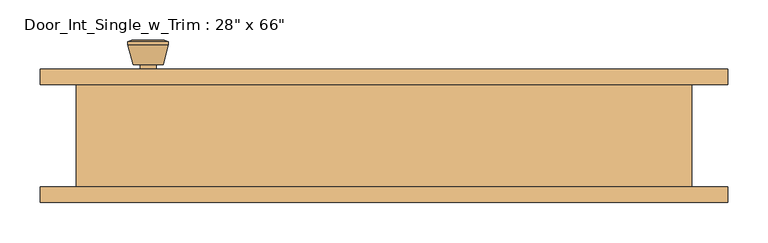
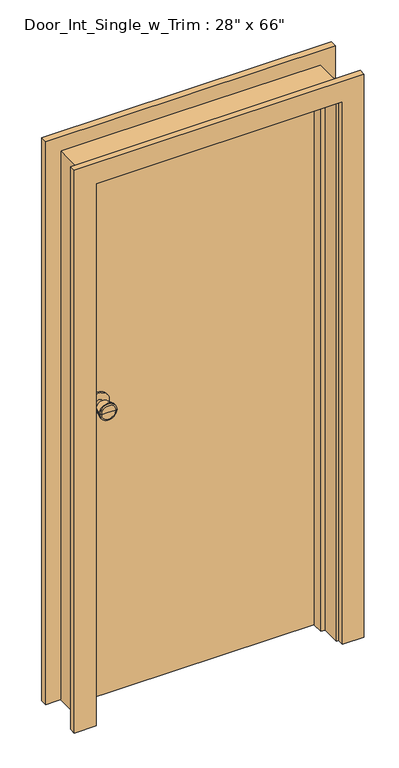
"""IFC4 building model written with IfcOpenShell, lengths in millimetres: door geometry."""

from ifc_helpers import new_model, si_unit, point, frame, frame_2d, origin, origin_with_axes, place, context, project, spatial, polyline, circle_curve, trimmed, segment, composite_curve, outline, extrude, faceted_brep, source, transform, mapped, element, save
from ifc_brep_helpers import plane_surface, cylinder_surface, revolved_surface, advanced_brep


def door_e2b14f9b(model_context):
    return source(origin(), model_context, "Body", "SolidModel", [
        advanced_brep(
        [(-292.1, 19.4, 914.4), (-282.1, 19.4, 914.4), (-302.1, 19.4, 914.4), (-271.6241324, -29.6, 914.4), (-292.1, -29.6, 914.4), (-312.5758676, -29.6, 914.4), (-267.1, -27.7721319, 914.4), (-317.1, -27.7721319, 914.4), (-267.1, -24.3084537, 914.4), (-317.1, -24.3084537, 914.4), (-273.463764, 0.4, 914.4), (-310.736236, 0.4, 914.4), (-282.1, 0.4, 914.4), (-302.1, 0.4, 914.4)],
        [
            (0, 1),
            (1, 2, circle_curve(frame((-292.1, 19.4, 914.4), z_axis=(0.0, 1.0, 0.0), x_axis=(-1.0, 0.0, 0.0)), 10.0)),
            (2, 0),
            (2, 1, circle_curve(frame((-292.1, 19.4, 914.4), z_axis=(0.0, 1.0, 0.0), x_axis=(-1.0, 0.0, 0.0)), 10.0)),
            (3, 4),
            (4, 5),
            (5, 3, circle_curve(frame((-292.1, -29.6, 914.4), z_axis=(0.0, -1.0, 0.0), x_axis=(-1.0, 0.0, 0.0)), 20.4758676)),
            (3, 5, circle_curve(frame((-292.1, -29.6, 914.4), z_axis=(0.0, -1.0, 0.0), x_axis=(-1.0, 0.0, 0.0)), 20.4758676)),
            (6, 3),
            (5, 7),
            (7, 6, circle_curve(frame((-292.1, -27.7721319, 914.4), z_axis=(0.0, -1.0, 0.0), x_axis=(-1.0, 0.0, 0.0)), 25.0)),
            (6, 7, circle_curve(frame((-292.1, -27.7721319, 914.4), z_axis=(0.0, -1.0, 0.0), x_axis=(-1.0, 0.0, 0.0)), 25.0)),
            (8, 6),
            (7, 9),
            (9, 8, circle_curve(frame((-292.1, -24.3084537, 914.4), z_axis=(0.0, -1.0, 0.0), x_axis=(-1.0, 0.0, 0.0)), 25.0)),
            (8, 9, circle_curve(frame((-292.1, -24.3084537, 914.4), z_axis=(0.0, -1.0, 0.0), x_axis=(-1.0, 0.0, 0.0)), 25.0)),
            (10, 8),
            (9, 11),
            (11, 10, circle_curve(frame((-292.1, 0.4, 914.4), z_axis=(0.0, -1.0, 0.0), x_axis=(-1.0, 0.0, 0.0)), 18.636236)),
            (10, 11, circle_curve(frame((-292.1, 0.4, 914.4), z_axis=(0.0, -1.0, 0.0), x_axis=(-1.0, 0.0, 0.0)), 18.636236)),
            (12, 10),
            (11, 13),
            (13, 12, circle_curve(frame((-292.1, 0.4, 914.4), z_axis=(0.0, -1.0, 0.0), x_axis=(-1.0, 0.0, 0.0)), 10.0)),
            (12, 13, circle_curve(frame((-292.1, 0.4, 914.4), z_axis=(0.0, -1.0, 0.0), x_axis=(-1.0, 0.0, 0.0)), 10.0)),
            (1, 12),
            (13, 2),
        ],
        [
            plane_surface(frame((-292.1, 19.4, 914.4), z_axis=(0.0, 1.0, 0.0), x_axis=(-1.0, 0.0, 0.0))),
            plane_surface(frame((-292.1, -29.6, 914.4), z_axis=(0.0, -1.0, 0.0), x_axis=(-1.0, 0.0, 0.0))),
            revolved_surface(polyline([(-312.5758676, -29.6, 914.4), (-317.1, -27.7721319, 914.4)]), (-292.1, 19.4, 914.4), (0.0, 1.0, 0.0)),
            cylinder_surface(frame((-292.1, 19.4, 914.4), z_axis=(0.0, 1.0, 0.0), x_axis=(-1.0, 0.0, 0.0)), 25.0),
            revolved_surface(polyline([(-317.1, -24.3084537, 914.4), (-310.736236, 0.4, 914.4)]), (-292.1, 19.4, 914.4), (0.0, 1.0, 0.0)),
            plane_surface(frame((-292.1, 0.4, 914.4), z_axis=(0.0, 1.0, 0.0), x_axis=(-1.0, 0.0, 0.0))),
            cylinder_surface(frame((-292.1, 19.4, 914.4), z_axis=(0.0, 1.0, 0.0), x_axis=(-1.0, 0.0, 0.0)), 10.0),
        ],
        [
            (0, [[1, 2, 3]]),
            (0, [[-3, 4, -1]]),
            (1, [[5, 6, 7]]),
            (1, [[-6, -5, 8]]),
            (2, [[9, -7, 10, 11]]),
            (2, [[-10, -8, -9, 12]]),
            (3, [[13, -11, 14, 15]]),
            (3, [[-14, -12, -13, 16]]),
            (4, [[17, -15, 18, 19]]),
            (4, [[-18, -16, -17, 20]]),
            (5, [[21, -19, 22, 23]]),
            (5, [[-22, -20, -21, 24]]),
            (6, [[25, -23, 26, -2]]),
            (6, [[-26, -24, -25, -4]]),
        ],
    ),
        extrude(outline(composite_curve([segment(trimmed(circle_curve(frame_2d((914.4, -292.1)), 30.0), [point((914.4, -322.1))], [point((914.4, -262.1))], False, "CARTESIAN"), True, "CONTINUOUS"), segment(trimmed(circle_curve(frame_2d((914.4, -292.1)), 30.0), [point((914.4, -262.1))], [point((914.4, -322.1))], False, "CARTESIAN"), True, "CONTINUOUS")], self_intersect=False)), frame((0.0, 19.4, 0.0), z_axis=(0.0, 1.0, 0.0), x_axis=(0.0, 0.0, 1.0)), (0.0, 0.0, 1.0), 6.0),
        advanced_brep(
        [(-292.1, 66.325, 914.4), (-302.1, 66.325, 914.4), (-282.1, 66.325, 914.4), (-271.6241324, 115.325, 914.4), (-312.5758676, 115.325, 914.4), (-292.1, 115.325, 914.4), (-267.1, 113.4971319, 914.4), (-317.1, 113.4971319, 914.4), (-267.1, 110.0334537, 914.4), (-317.1, 110.0334537, 914.4), (-273.463764, 85.325, 914.4), (-310.736236, 85.325, 914.4), (-282.1, 85.325, 914.4), (-302.1, 85.325, 914.4)],
        [
            (0, 1),
            (1, 2, circle_curve(frame((-292.1, 66.325, 914.4), z_axis=(0.0, -1.0, 0.0), x_axis=(-1.0, 0.0, 0.0)), 10.0)),
            (2, 0),
            (2, 1, circle_curve(frame((-292.1, 66.325, 914.4), z_axis=(0.0, -1.0, 0.0), x_axis=(-1.0, 0.0, 0.0)), 10.0)),
            (3, 4, circle_curve(frame((-292.1, 115.325, 914.4), z_axis=(0.0, 1.0, 0.0), x_axis=(-1.0, 0.0, 0.0)), 20.4758676)),
            (4, 5),
            (5, 3),
            (4, 3, circle_curve(frame((-292.1, 115.325, 914.4), z_axis=(0.0, 1.0, 0.0), x_axis=(-1.0, 0.0, 0.0)), 20.4758676)),
            (6, 7, circle_curve(frame((-292.1, 113.4971319, 914.4), z_axis=(0.0, 1.0, 0.0), x_axis=(-1.0, 0.0, 0.0)), 25.0)),
            (7, 4),
            (3, 6),
            (7, 6, circle_curve(frame((-292.1, 113.4971319, 914.4), z_axis=(0.0, 1.0, 0.0), x_axis=(-1.0, 0.0, 0.0)), 25.0)),
            (8, 9, circle_curve(frame((-292.1, 110.0334537, 914.4), z_axis=(0.0, 1.0, 0.0), x_axis=(-1.0, 0.0, 0.0)), 25.0)),
            (9, 7),
            (6, 8),
            (9, 8, circle_curve(frame((-292.1, 110.0334537, 914.4), z_axis=(0.0, 1.0, 0.0), x_axis=(-1.0, 0.0, 0.0)), 25.0)),
            (10, 11, circle_curve(frame((-292.1, 85.325, 914.4), z_axis=(0.0, 1.0, 0.0), x_axis=(-1.0, 0.0, 0.0)), 18.636236)),
            (11, 9),
            (8, 10),
            (11, 10, circle_curve(frame((-292.1, 85.325, 914.4), z_axis=(0.0, 1.0, 0.0), x_axis=(-1.0, 0.0, 0.0)), 18.636236)),
            (12, 13, circle_curve(frame((-292.1, 85.325, 914.4), z_axis=(0.0, 1.0, 0.0), x_axis=(-1.0, 0.0, 0.0)), 10.0)),
            (13, 11),
            (10, 12),
            (13, 12, circle_curve(frame((-292.1, 85.325, 914.4), z_axis=(0.0, 1.0, 0.0), x_axis=(-1.0, 0.0, 0.0)), 10.0)),
            (1, 13),
            (12, 2),
        ],
        [
            plane_surface(frame((-292.1, 66.325, 914.4), z_axis=(0.0, -1.0, 0.0), x_axis=(-1.0, 0.0, 0.0))),
            plane_surface(frame((-292.1, 115.325, 914.4), z_axis=(0.0, 1.0, 0.0), x_axis=(-1.0, 0.0, 0.0))),
            revolved_surface(polyline([(-312.5758676, 115.325, 914.4), (-317.1, 113.4971319, 914.4)]), (-292.1, 66.325, 914.4), (0.0, -1.0, 0.0)),
            cylinder_surface(frame((-292.1, 66.325, 914.4), z_axis=(0.0, -1.0, 0.0), x_axis=(-1.0, 0.0, 0.0)), 25.0),
            revolved_surface(polyline([(-317.1, 110.0334537, 914.4), (-310.736236, 85.325, 914.4)]), (-292.1, 66.325, 914.4), (0.0, -1.0, 0.0)),
            plane_surface(frame((-292.1, 85.325, 914.4), z_axis=(0.0, -1.0, 0.0), x_axis=(-1.0, 0.0, 0.0))),
            cylinder_surface(frame((-292.1, 66.325, 914.4), z_axis=(0.0, -1.0, 0.0), x_axis=(-1.0, 0.0, 0.0)), 10.0),
        ],
        [
            (0, [[1, 2, 3]]),
            (0, [[-3, 4, -1]]),
            (1, [[5, 6, 7]]),
            (1, [[8, -7, -6]]),
            (2, [[9, 10, -5, 11]]),
            (2, [[12, -11, -8, -10]]),
            (3, [[13, 14, -9, 15]]),
            (3, [[16, -15, -12, -14]]),
            (4, [[17, 18, -13, 19]]),
            (4, [[20, -19, -16, -18]]),
            (5, [[21, 22, -17, 23]]),
            (5, [[24, -23, -20, -22]]),
            (6, [[-2, 25, -21, 26]]),
            (6, [[-4, -26, -24, -25]]),
        ],
    ),
        extrude(outline(composite_curve([segment(trimmed(circle_curve(frame_2d((914.4, -292.1)), 30.0), [point((914.4, -322.1))], [point((914.4, -262.1))], False, "CARTESIAN"), True, "CONTINUOUS"), segment(trimmed(circle_curve(frame_2d((914.4, -292.1)), 30.0), [point((914.4, -262.1))], [point((914.4, -322.1))], False, "CARTESIAN"), True, "CONTINUOUS")], self_intersect=False)), frame((0.0, 60.325, 0.0), z_axis=(0.0, 1.0, 0.0), x_axis=(0.0, 0.0, 1.0)), (0.0, 0.0, 1.0), 6.0),
        faceted_brep([(381.0, 60.325, 0.0), (381.0, -66.675, 0.0), (355.6, -66.675, 0.0), (355.6, -9.525, 0.0), (342.9, -9.525, 0.0), (342.9, 25.4, 0.0), (355.6, 25.4, 0.0), (355.6, 60.325, 0.0), (381.0, 60.325, 1701.8), (381.0, -66.675, 1701.8), (-381.0, -66.675, 1701.8), (-381.0, -66.675, 0.0), (-355.6, -66.675, 0.0), (-355.6, -66.675, 1676.4), (355.6, -66.675, 1676.4), (355.6, -9.525, 1676.4), (-355.6, -9.525, 1676.4), (-355.6, -9.525, 0.0), (-342.9, -9.525, 0.0), (-342.9, -9.525, 1663.7), (342.9, -9.525, 1663.7), (342.9, 25.4, 1663.7), (-342.9, 25.4, 1663.7), (-342.9, 25.4, 0.0), (-355.6, 25.4, 0.0), (-355.6, 25.4, 1676.4), (355.6, 25.4, 1676.4), (355.6, 60.325, 1676.4), (-355.6, 60.325, 1676.4), (-355.6, 60.325, 0.0), (-381.0, 60.325, 0.0), (-381.0, 60.325, 1701.8)], [[[0, 1, 2, 3, 4, 5, 6, 7]], [[1, 0, 8, 9]], [[2, 1, 9, 10, 11, 12, 13, 14]], [[3, 2, 14, 15]], [[4, 3, 15, 16, 17, 18, 19, 20]], [[5, 4, 20, 21]], [[6, 5, 21, 22, 23, 24, 25, 26]], [[7, 6, 26, 27]], [[0, 7, 27, 28, 29, 30, 31, 8]], [[9, 8, 31, 10]], [[15, 14, 13, 16]], [[21, 20, 19, 22]], [[27, 26, 25, 28]], [[30, 29, 24, 23, 18, 17, 12, 11]], [[10, 31, 30, 11]], [[16, 13, 12, 17]], [[22, 19, 18, 23]], [[28, 25, 24, 29]]]),
        extrude(outline(polyline([(355.6, 25.4), (-355.6, 25.4), (-355.6, 60.325), (355.6, 60.325), (355.6, 25.4)])), origin_with_axes(), (0.0, 0.0, 1.0), 1676.4),
        extrude(outline(polyline([(0.0, 361.95), (0.0, 425.45), (1746.25, 425.45), (1746.25, -425.45), (0.0, -425.45), (0.0, -361.95), (1682.75, -361.95), (1682.75, 361.95), (0.0, 361.95)])), frame((0.0, 60.325, 0.0), z_axis=(0.0, 1.0, 0.0), x_axis=(0.0, 0.0, 1.0)), (0.0, 0.0, 1.0), 19.05),
        extrude(outline(polyline([(0.0, 361.95), (0.0, 425.45), (1746.25, 425.45), (1746.25, -425.45), (0.0, -425.45), (0.0, -361.95), (1682.75, -361.95), (1682.75, 361.95), (0.0, 361.95)])), frame((0.0, -85.725, 0.0), z_axis=(0.0, 1.0, 0.0), x_axis=(0.0, 0.0, 1.0)), (0.0, 0.0, 1.0), 19.05),
    ])


if __name__ == "__main__":
    model = new_model("IFC4")
    model_context = context("Model", 3, world=origin())
    ifc_project = project(units=[si_unit("LENGTHUNIT", "METRE", prefix="MILLI")], contexts=[model_context])
    site = spatial("IfcSite", under=ifc_project)
    building = spatial("IfcBuilding", under=site)
    placement = place(None, origin())
    door_shape = door_e2b14f9b(model_context)
    element("IfcDoor", 1, ObjectType="Door_Int_Single_w_Trim : 28\" x 66\"", at=placement, inside=building, context=model_context, shape_type="MappedRepresentation", body=[
        mapped(door_shape, transform((0.0, 0.0, 0.0), x_axis=(1.0, 0.0, 0.0), y_axis=(0.0, 1.0, 0.0), z_axis=(0.0, 0.0, 1.0))),
    ])
    save(model, "model.ifc")
